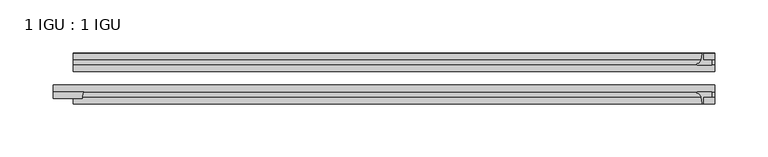
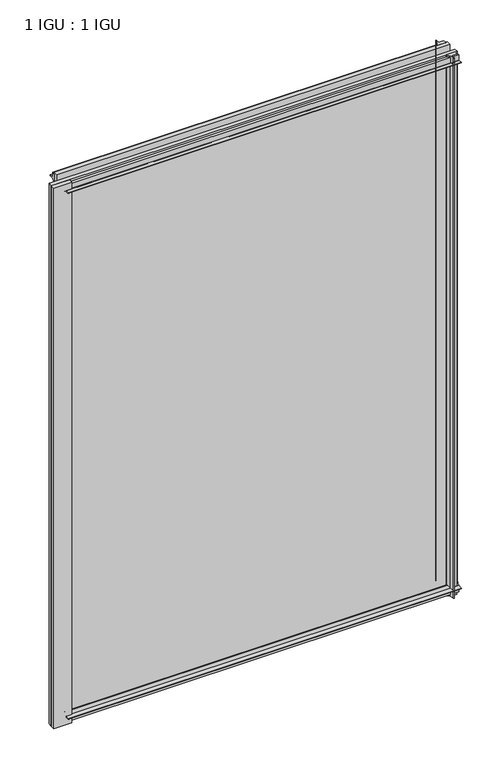
"""IFC4 building model written with IfcOpenShell, lengths in millimetres: plate geometry, 1 IGU : 1 IGU."""

from ifc_helpers import new_model, si_unit, point, frame, frame_2d, origin, place, context, project, spatial, polyline, circle_curve, trimmed, segment, composite_curve, outline, extrude, source, transform, mapped, element, save


def plate_1_igu_1_igu_e9463606(model_context):
    return source(origin(), model_context, "Body", "SweptSolid", [
        extrude(outline(composite_curve([segment(polyline([(-42.3267187, -8.2068385), (-47.0892187, -8.2068385), (-47.0892187, 0.0), (-53.563779, 0.0)]), True, "CONTINUOUS"), segment(trimmed(circle_curve(frame_2d((-53.0328134, 0.3482823)), 0.635), [point((-53.563779, 0.0))], [point((-53.0575397, 0.9828007))], False, "CARTESIAN"), True, "CONTINUOUS"), segment(trimmed(circle_curve(frame_2d((-54.2310045, 31.0958559)), 30.1359106), [point((-53.0575397, 0.9828007))], [point((-47.0834032, 1.8198434))], True, "CARTESIAN"), True, "CONTINUOUS"), segment(trimmed(circle_curve(frame_2d((-48.2159797, 6.4587878)), 4.7752), [point((-47.0834032, 1.8198434))], [point((-43.578416, 5.3205707))], True, "CARTESIAN"), True, "CONTINUOUS"), segment(trimmed(circle_curve(frame_2d((-42.9617187, 5.169212)), 0.635), [point((-43.578416, 5.3205707))], [point((-42.3267187, 5.169212))], False, "CARTESIAN"), True, "CONTINUOUS"), segment(polyline([(-42.3267187, 5.169212), (-42.3267187, -8.2068385)]), True, "CONTINUOUS")], self_intersect=False)), frame((-300.7320313, 0.0, 0.0), z_axis=(1.0, 0.0, 0.0), x_axis=(0.0, 1.0, 0.0)), (0.0, 0.0, 1.0), 603.9445312),
        extrude(outline(composite_curve([segment(polyline([(-16.9267187, -8.2068385), (-16.9267187, 5.169212)]), True, "CONTINUOUS"), segment(trimmed(circle_curve(frame_2d((-16.2917187, 5.169212)), 0.635), [point((-16.9267187, 5.169212))], [point((-15.6750215, 5.3205707))], False, "CARTESIAN"), True, "CONTINUOUS"), segment(trimmed(circle_curve(frame_2d((-11.0374578, 6.4587878)), 4.7752), [point((-15.6750215, 5.3205707))], [point((-12.1700343, 1.8198434))], True, "CARTESIAN"), True, "CONTINUOUS"), segment(trimmed(circle_curve(frame_2d((-5.022433, 31.0958559)), 30.1359106), [point((-12.1700343, 1.8198434))], [point((-6.1958978, 0.9828007))], True, "CARTESIAN"), True, "CONTINUOUS"), segment(trimmed(circle_curve(frame_2d((-6.2206241, 0.3482823)), 0.635), [point((-6.1958978, 0.9828007))], [point((-5.6896585, 0.0))], False, "CARTESIAN"), True, "CONTINUOUS"), segment(polyline([(-5.6896585, 0.0), (-12.1642187, 0.0), (-12.1642187, -8.2068385), (-16.9267187, -8.2068385)]), True, "CONTINUOUS")], self_intersect=False)), frame((-300.7320313, 0.0, 0.0), z_axis=(1.0, 0.0, 0.0), x_axis=(0.0, 1.0, 0.0)), (0.0, 0.0, 1.0), 603.9445312),
        extrude(outline(composite_curve([segment(polyline([(-47.0892188, 854.0748985), (-47.0892188, 862.281737), (-42.3267188, 862.281737), (-42.3267188, 848.9056865)]), True, "CONTINUOUS"), segment(trimmed(circle_curve(frame_2d((-42.9617187, 848.9056865)), 0.635), [point((-42.3267188, 848.9056865))], [point((-43.578416, 848.7543278))], False, "CARTESIAN"), True, "CONTINUOUS"), segment(trimmed(circle_curve(frame_2d((-48.2159797, 847.6161107)), 4.7752), [point((-43.578416, 848.7543278))], [point((-47.0834032, 852.2550551))], True, "CARTESIAN"), True, "CONTINUOUS"), segment(trimmed(circle_curve(frame_2d((-54.2310045, 822.9790426)), 30.1359106), [point((-47.0834032, 852.2550551))], [point((-53.0575397, 853.0920978))], True, "CARTESIAN"), True, "CONTINUOUS"), segment(trimmed(circle_curve(frame_2d((-53.0328134, 853.7266162)), 0.635), [point((-53.0575397, 853.0920978))], [point((-53.563779, 854.0748985))], False, "CARTESIAN"), True, "CONTINUOUS"), segment(polyline([(-53.563779, 854.0748985), (-47.0892188, 854.0748985)]), True, "CONTINUOUS")], self_intersect=False)), frame((-300.7320313, 0.0, 0.0), z_axis=(1.0, 0.0, 0.0), x_axis=(0.0, 1.0, 0.0)), (0.0, 0.0, 1.0), 603.9445312),
        extrude(outline(composite_curve([segment(polyline([(-12.1642187, 854.0748985), (-5.6896585, 854.0748985)]), True, "CONTINUOUS"), segment(trimmed(circle_curve(frame_2d((-6.2206241, 853.7266162)), 0.635), [point((-5.6896585, 854.0748985))], [point((-6.1958978, 853.0920978))], False, "CARTESIAN"), True, "CONTINUOUS"), segment(trimmed(circle_curve(frame_2d((-5.022433, 822.9790426)), 30.1359106), [point((-6.1958978, 853.0920978))], [point((-12.1700343, 852.2550551))], True, "CARTESIAN"), True, "CONTINUOUS"), segment(trimmed(circle_curve(frame_2d((-11.0374578, 847.6161107)), 4.7752), [point((-12.1700343, 852.2550551))], [point((-15.6750215, 848.7543278))], True, "CARTESIAN"), True, "CONTINUOUS"), segment(trimmed(circle_curve(frame_2d((-16.2917188, 848.9056865)), 0.635), [point((-15.6750215, 848.7543278))], [point((-16.9267188, 848.9056865))], False, "CARTESIAN"), True, "CONTINUOUS"), segment(polyline([(-16.9267188, 848.9056865), (-16.9267187, 862.281737), (-12.1642187, 862.281737), (-12.1642187, 854.0748985)]), True, "CONTINUOUS")], self_intersect=False)), frame((-300.7320313, 0.0, 0.0), z_axis=(1.0, 0.0, 0.0), x_axis=(0.0, 1.0, 0.0)), (0.0, 0.0, 1.0), 603.9445312),
        extrude(outline(composite_curve([segment(trimmed(circle_curve(frame_2d((-280.635255, -48.2428298)), 11.7661971), [point((-290.8059493, -42.3267187))], [point((-292.3934493, -48.6767187))], True, "CARTESIAN"), True, "CONTINUOUS"), segment(polyline([(-292.3934493, -48.6767187), (-319.7820312, -48.6767187), (-319.7820312, -42.3267187), (-290.8059493, -42.3267187)]), True, "CONTINUOUS")], self_intersect=False)), frame((0.0, 0.0, -11.1125), z_axis=(0.0, 0.0, 1.0), x_axis=(1.0, 0.0, 0.0)), (0.0, 0.0, 1.0), 876.2998985),
        extrude(outline(composite_curve([segment(polyline([(292.1, -5.6896585), (292.1, -12.1642188), (300.3068385, -12.1642188), (300.3068385, -16.9267187), (286.930788, -16.9267187)]), True, "CONTINUOUS"), segment(trimmed(circle_curve(frame_2d((286.930788, -16.2917188)), 0.635), [point((286.930788, -16.9267187))], [point((286.7794293, -15.6750215))], False, "CARTESIAN"), True, "CONTINUOUS"), segment(trimmed(circle_curve(frame_2d((285.6412122, -11.0374578)), 4.7752), [point((286.7794293, -15.6750215))], [point((290.2801566, -12.1700343))], True, "CARTESIAN"), True, "CONTINUOUS"), segment(trimmed(circle_curve(frame_2d((261.0041441, -5.022433)), 30.1359106), [point((290.2801566, -12.1700343))], [point((291.1171993, -6.1958978))], True, "CARTESIAN"), True, "CONTINUOUS"), segment(trimmed(circle_curve(frame_2d((291.7517177, -6.2206241)), 0.635), [point((291.1171993, -6.1958978))], [point((292.1, -5.6896585))], False, "CARTESIAN"), True, "CONTINUOUS")], self_intersect=False)), frame((0.0, 0.0, -11.1125), z_axis=(0.0, 0.0, 1.0), x_axis=(1.0, 0.0, 0.0)), (0.0, 0.0, 1.0), 876.2998985),
        extrude(outline(composite_curve([segment(trimmed(circle_curve(frame_2d((291.7517177, -53.0328134)), 0.635), [point((292.1, -53.563779))], [point((291.1171993, -53.0575397))], False, "CARTESIAN"), True, "CONTINUOUS"), segment(trimmed(circle_curve(frame_2d((261.0041441, -54.2310045)), 30.1359106), [point((291.1171993, -53.0575397))], [point((290.2801566, -47.0834032))], True, "CARTESIAN"), True, "CONTINUOUS"), segment(trimmed(circle_curve(frame_2d((285.6412122, -48.2159797)), 4.7752), [point((290.2801566, -47.0834032))], [point((286.7794293, -43.578416))], True, "CARTESIAN"), True, "CONTINUOUS"), segment(trimmed(circle_curve(frame_2d((286.930788, -42.9617187)), 0.635), [point((286.7794293, -43.578416))], [point((286.930788, -42.3267187))], False, "CARTESIAN"), True, "CONTINUOUS"), segment(polyline([(286.930788, -42.3267187), (300.3068385, -42.3267188), (300.3068385, -47.0892188), (292.1, -47.0892188), (292.1, -53.563779)]), True, "CONTINUOUS")], self_intersect=False)), frame((0.0, 0.0, -11.1125), z_axis=(0.0, 0.0, 1.0), x_axis=(1.0, 0.0, 0.0)), (0.0, 0.0, 1.0), 876.2998985),
        extrude(outline(polyline([(303.2125, -16.9267187), (303.2125, -23.2259187), (-300.7320313, -23.2259187), (-300.7320313, -16.9267187), (303.2125, -16.9267187)])), frame((0.0, 0.0, -11.1125), z_axis=(0.0, 0.0, 1.0), x_axis=(1.0, 0.0, 0.0)), (0.0, 0.0, 1.0), 876.2998985),
        extrude(outline(polyline([(303.2125, -36.0275187), (303.2125, -42.3267187), (-319.7820313, -42.3267187), (-319.7820313, -36.0275187), (303.2125, -36.0275187)])), frame((0.0, 0.0, -11.1125), z_axis=(0.0, 0.0, 1.0), x_axis=(1.0, 0.0, 0.0)), (0.0, 0.0, 1.0), 876.2998985),
    ])


if __name__ == "__main__":
    model = new_model("IFC4")
    model_context = context("Model", 3, world=origin())
    ifc_project = project(units=[si_unit("LENGTHUNIT", "METRE", prefix="MILLI")], contexts=[model_context])
    site = spatial("IfcSite", under=ifc_project)
    building = spatial("IfcBuilding", under=site)
    placement = place(None, origin())
    plate_1_igu_1_igu_shape = plate_1_igu_1_igu_e9463606(model_context)
    element("IfcPlate", 1, ObjectType="1 IGU : 1 IGU", at=placement, inside=building, context=model_context, shape_type="MappedRepresentation", body=[
        mapped(plate_1_igu_1_igu_shape, transform((0.0, 0.0, 0.0), x_axis=(1.0, 0.0, 0.0), y_axis=(0.0, 1.0, 0.0), z_axis=(0.0, 0.0, 1.0))),
    ])
    save(model, "model.ifc")
